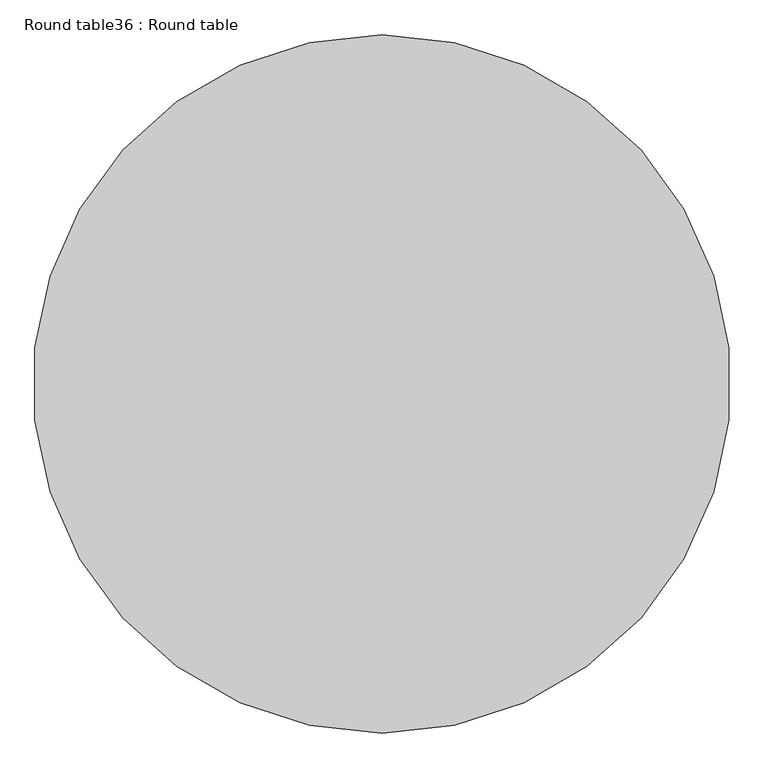
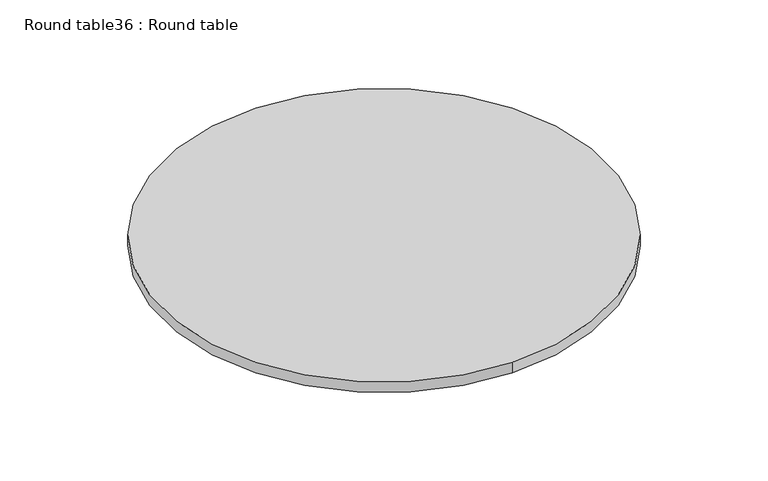
"""IFC4 building model written with IfcOpenShell, lengths in millimetres: furniture geometry, Round table36 : Round table."""

from ifc_helpers import new_model, si_unit, point, frame, frame_2d, origin, place, context, project, spatial, circle_curve, trimmed, segment, composite_curve, outline, extrude, source, transform, mapped, element, save


def round_table36_round_table_be231171(model_context):
    return source(origin(), model_context, "Body", "SweptSolid", [
        extrude(outline(composite_curve([segment(trimmed(circle_curve(frame_2d((-119919.8554787, -38714.7021389)), 508.0), [point((-119919.8554787, -38206.7021389))], [point((-119919.8554787, -39222.7021389))], False, "CARTESIAN"), True, "CONTINUOUS"), segment(trimmed(circle_curve(frame_2d((-119919.8554787, -38714.7021389)), 508.0), [point((-119919.8554787, -39222.7021389))], [point((-119919.8554787, -38206.7021389))], False, "CARTESIAN"), True, "CONTINUOUS")], self_intersect=False)), frame((0.0, 0.0, 762.0), z_axis=(0.0, 0.0, 1.0), x_axis=(1.0, 0.0, 0.0)), (0.0, 0.0, 1.0), 25.4),
    ])


if __name__ == "__main__":
    model = new_model("IFC4")
    model_context = context("Model", 3, world=origin())
    ifc_project = project(units=[si_unit("LENGTHUNIT", "METRE", prefix="MILLI")], contexts=[model_context])
    site = spatial("IfcSite", under=ifc_project)
    building = spatial("IfcBuilding", under=site)
    placement = place(None, origin())
    round_table36_round_table_shape = round_table36_round_table_be231171(model_context)
    element("IfcFurniture", 1, ObjectType="Round table36 : Round table", at=placement, inside=building, context=model_context, shape_type="MappedRepresentation", body=[
        mapped(round_table36_round_table_shape, transform((0.0, 0.0, 0.0), x_axis=(1.0, 0.0, 0.0), y_axis=(0.0, 1.0, 0.0), z_axis=(0.0, 0.0, 1.0))),
    ])
    save(model, "model.ifc")
